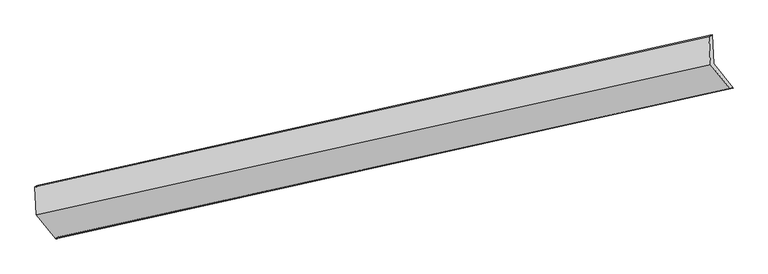
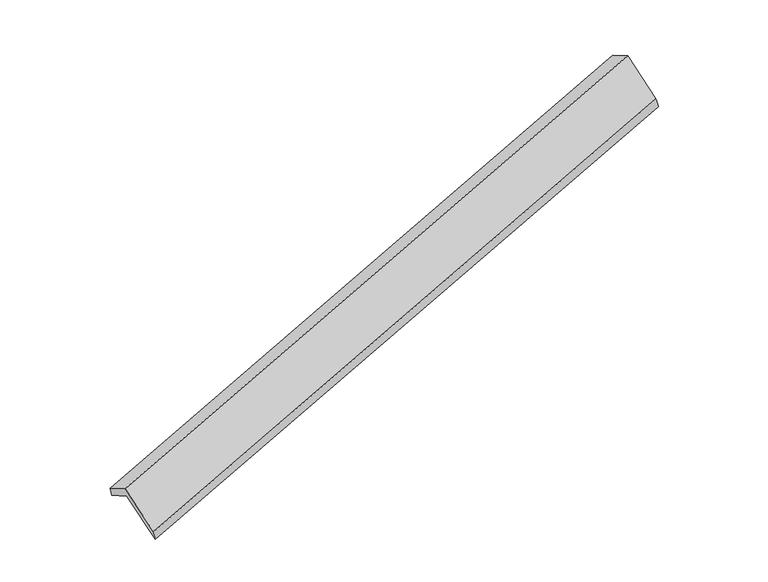
"""IFC4 building model written with IfcOpenShell, lengths in millimetres: proxy geometry."""

from ifc_helpers import new_model, si_unit, frame, origin, place, context, project, spatial, source, transform, mapped, element, save
from ifc_brep_helpers import plane_surface, spline_surface, advanced_brep


def generic_models_42876eba(model_context):
    return source(origin(), model_context, "Body", "AdvancedBrep", [
        advanced_brep(
        [(-7522.5668693, -2531.5537339, 708.2930626), (-7542.1530541, -2157.0190862, 499.9258558), (1662.0393088, -100.144798, 3321.6293057), (1682.7667689, -496.5033568, 3542.1379456), (-7584.2764056, -2180.0740327, 654.0450126), (1616.8570632, -127.519029, 3488.862842), (-7564.4746162, -2558.7315562, 864.7059247), (1636.6588526, -506.1765524, 3699.523754), (-7301.9065242, -2888.138573, 247.9243774), (1899.2269446, -835.5835693, 3082.7422067), (-7259.8681345, -2861.1246499, 91.2046308), (1945.4655037, -826.0742728, 2925.0495137)],
        [
            (0, 1),
            (1, 2),
            (2, 3),
            (3, 0),
            (1, 4),
            (4, 5),
            (5, 2),
            (4, 6),
            (6, 7),
            (7, 5),
            (6, 8),
            (8, 9),
            (9, 7),
            (8, 10),
            (10, 11),
            (11, 9),
            (10, 0),
            (3, 11),
        ],
        [
            plane_surface(frame((-7532.3599617, -2344.2864101, 604.1094592), z_axis=(0.35169253713807197, -0.44099408489587666, -0.8257339622470632), x_axis=(-0.04565101327448856, 0.8729564407627285, -0.48565732519738797))),
            spline_surface(1, 1, [[(-7542.1530541, -2157.0190862, 499.9258558), (1662.0393088, -100.144798, 3321.6293057)], [(-7584.2764056, -2180.0740327, 654.0450126), (1616.8570632, -127.519029, 3488.862842)]], [2, 2], [2, 2], [0.0, 1.0], [0.0, 1.0]),
            plane_surface(frame((-7574.3755109, -2369.4027944, 759.3754686), z_axis=(-0.35264214684880624, 0.44078206181105856, 0.8254421180503556), x_axis=(0.04565101327457344, -0.8729564407627223, 0.48565732519739113))),
            plane_surface(frame((-7433.1905702, -2723.4350646, 556.315151), z_axis=(0.04517608247495378, -0.8730621895622066, 0.4855116216210094), x_axis=(0.3515404177140047, -0.44102799939265586, -0.825780623692016))),
            spline_surface(1, 1, [[(-7301.9065242, -2888.138573, 247.9243774), (1899.2269446, -835.5835693, 3082.7422067)], [(-7259.8681345, -2861.1246499, 91.2046308), (1945.4655037, -826.0742728, 2925.0495137)]], [2, 2], [2, 2], [0.0, 1.0], [0.0, 1.0]),
            plane_surface(frame((-7391.2175019, -2696.3391919, 399.7488467), z_axis=(-0.04375122309174406, 0.8733780839588444, -0.48507376030698096), x_axis=(-0.3515404177140032, 0.44102799939265597, 0.8257806236920165))),
            plane_surface(frame((1740.502407, -482.000263, 3343.3242613), z_axis=(0.9350589926311753, 0.20842590118023033, 0.28674609677688817), x_axis=(0.28090299949805947, 0.05776974810113027, -0.9579959086955044))),
            plane_surface(frame((-7462.540934, -2529.440272, 511.0164773), z_axis=(-0.9350589926311678, -0.20842590118027438, -0.2867460967768814), x_axis=(0.35154041771401867, -0.441027999392653, -0.8257806236920114))),
        ],
        [
            (0, [[1, 2, 3, 4]]),
            (1, [[5, 6, 7, -2]]),
            (2, [[8, 9, 10, -6]]),
            (3, [[11, 12, 13, -9]]),
            (4, [[14, 15, 16, -12]]),
            (5, [[17, -4, 18, -15]]),
            (6, [[-16, -18, -3, -7, -10, -13]]),
            (7, [[-17, -14, -11, -8, -5, -1]]),
        ],
    ),
    ])


if __name__ == "__main__":
    model = new_model("IFC4")
    model_context = context("Model", 3, world=origin())
    ifc_project = project(units=[si_unit("LENGTHUNIT", "METRE", prefix="MILLI")], contexts=[model_context])
    site = spatial("IfcSite", under=ifc_project)
    building = spatial("IfcBuilding", under=site)
    placement = place(None, origin())
    generic_models_shape = generic_models_42876eba(model_context)
    element("IfcBuildingElementProxy", 1, Name="Generic Models", at=placement, inside=building, context=model_context, shape_type="MappedRepresentation", body=[
        mapped(generic_models_shape, transform((0.0, 0.0, 0.0), x_axis=(1.0, 0.0, 0.0), y_axis=(0.0, 1.0, 0.0), z_axis=(0.0, 0.0, 1.0))),
    ])
    save(model, "model.ifc")
